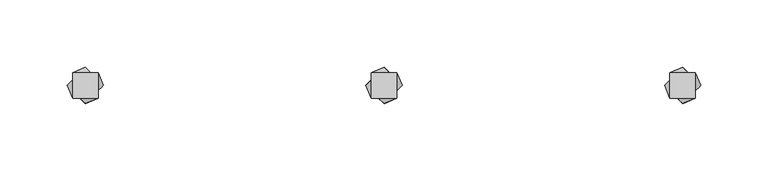
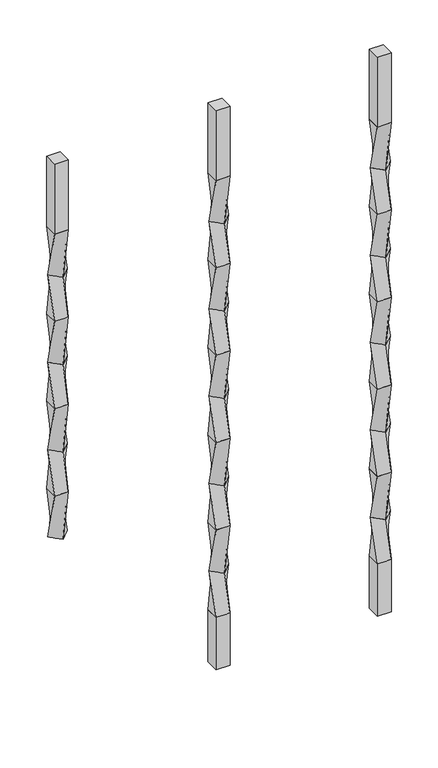
"""IFC4 building model written with IfcOpenShell, lengths in millimetres: proxy geometry."""

from ifc_helpers import new_model, si_unit, frame, origin, place, context, project, spatial, polyline, outline, extrude, source, transform, mapped, element, save
from ifc_brep_helpers import plane_surface, spline_surface, advanced_brep


def specialty_equipment_d9584f1a(model_context):
    return source(origin(), model_context, "Body", "SolidModel", [
        extrude(outline(polyline([(9.525, 9.525), (9.525, -9.525), (-9.525, -9.525), (-9.525, 9.525), (9.525, 9.525)])), frame((0.0, 0.0, 812.8), z_axis=(0.0, 0.0, 1.0), x_axis=(1.0, 0.0, 0.0)), (0.0, 0.0, 1.0), 101.6),
        advanced_brep(
        [(-9.525, 9.525, 812.8), (-9.525, -9.525, 812.8), (9.525, -9.525, 812.8), (9.525, 9.525, 812.8), (0.0, 13.4703842, 749.3), (13.4703842, 0.0, 749.3), (0.0, -13.4703842, 749.3), (-13.4703842, 0.0, 749.3)],
        [
            (0, 1),
            (1, 2),
            (2, 3),
            (3, 0),
            (4, 5),
            (5, 6),
            (6, 7),
            (7, 4),
            (4, 0),
            (3, 5),
            (2, 6),
            (1, 7),
        ],
        [
            plane_surface(frame((0.0, 0.0, 812.8), z_axis=(0.0, 0.0, 1.0), x_axis=(0.0, -1.0, 0.0))),
            plane_surface(frame((0.0, 0.0, 749.3), z_axis=(0.0, 0.0, -1.0), x_axis=(0.0, -1.0, 0.0))),
            spline_surface(1, 1, [[(13.4703842, 0.0, 749.3), (9.525, 9.525, 812.8)], [(0.0, 13.4703842, 749.3), (-9.525, 9.525, 812.8)]], [2, 2], [2, 2], [0.0, 1.0], [0.0, 1.0]),
            spline_surface(1, 1, [[(0.0, -13.4703842, 749.3), (9.525, -9.525, 812.8)], [(13.4703842, 0.0, 749.3), (9.525, 9.525, 812.8)]], [2, 2], [2, 2], [0.0, 1.0], [0.0, 1.0]),
            spline_surface(1, 1, [[(-13.4703842, 0.0, 749.3), (-9.525, -9.525, 812.8)], [(0.0, -13.4703842, 749.3), (9.525, -9.525, 812.8)]], [2, 2], [2, 2], [0.0, 1.0], [0.0, 1.0]),
            spline_surface(1, 1, [[(0.0, 13.4703842, 749.3), (-9.525, 9.525, 812.8)], [(-13.4703842, 0.0, 749.3), (-9.525, -9.525, 812.8)]], [2, 2], [2, 2], [0.0, 1.0], [0.0, 1.0]),
        ],
        [
            (0, [[1, 2, 3, 4]]),
            (1, [[5, 6, 7, 8]]),
            (2, [[-5, 9, -4, 10]]),
            (3, [[-6, -10, -3, 11]]),
            (4, [[-7, -11, -2, 12]]),
            (5, [[-8, -12, -1, -9]]),
        ],
    ),
        advanced_brep(
        [(0.0, 13.4703842, 749.3), (-13.4703842, 0.0, 749.3), (0.0, -13.4703842, 749.3), (13.4703842, 0.0, 749.3), (-9.525, 9.525, 685.8), (9.525, 9.525, 685.8), (9.525, -9.525, 685.8), (-9.525, -9.525, 685.8)],
        [
            (0, 1),
            (1, 2),
            (2, 3),
            (3, 0),
            (4, 5),
            (5, 6),
            (6, 7),
            (7, 4),
            (4, 0),
            (3, 5),
            (2, 6),
            (1, 7),
        ],
        [
            plane_surface(frame((0.0, 0.0, 749.3), z_axis=(0.0, 0.0, 1.0000000000000002), x_axis=(0.7071067811865481, -0.707106781186547, 0.0))),
            plane_surface(frame((0.0, 0.0, 685.8), z_axis=(0.0, 0.0, -1.0000000000000002), x_axis=(0.7071067811865481, -0.707106781186547, 0.0))),
            spline_surface(1, 1, [[(9.525, 9.525, 685.8), (13.4703842, 0.0, 749.3)], [(-9.525, 9.525, 685.8), (0.0, 13.4703842, 749.3)]], [2, 2], [2, 2], [0.0, 1.0], [0.0, 1.0]),
            spline_surface(1, 1, [[(9.525, -9.525, 685.8), (0.0, -13.4703842, 749.3)], [(9.525, 9.525, 685.8), (13.4703842, 0.0, 749.3)]], [2, 2], [2, 2], [0.0, 1.0], [0.0, 1.0]),
            spline_surface(1, 1, [[(-9.525, -9.525, 685.8), (-13.4703842, 0.0, 749.3)], [(9.525, -9.525, 685.8), (0.0, -13.4703842, 749.3)]], [2, 2], [2, 2], [0.0, 1.0], [0.0, 1.0]),
            spline_surface(1, 1, [[(-9.525, 9.525, 685.8), (0.0, 13.4703842, 749.3)], [(-9.525, -9.525, 685.8), (-13.4703842, 0.0, 749.3)]], [2, 2], [2, 2], [0.0, 1.0], [0.0, 1.0]),
        ],
        [
            (0, [[1, 2, 3, 4]]),
            (1, [[5, 6, 7, 8]]),
            (2, [[-5, 9, -4, 10]]),
            (3, [[-6, -10, -3, 11]]),
            (4, [[-7, -11, -2, 12]]),
            (5, [[-8, -12, -1, -9]]),
        ],
    ),
        advanced_brep(
        [(-9.525, 9.525, 685.8), (-9.525, -9.525, 685.8), (9.525, -9.525, 685.8), (9.525, 9.525, 685.8), (0.0, 13.4703842, 622.3), (13.4703842, 0.0, 622.3), (0.0, -13.4703842, 622.3), (-13.4703842, 0.0, 622.3)],
        [
            (0, 1),
            (1, 2),
            (2, 3),
            (3, 0),
            (4, 5),
            (5, 6),
            (6, 7),
            (7, 4),
            (4, 0),
            (3, 5),
            (2, 6),
            (1, 7),
        ],
        [
            plane_surface(frame((0.0, 0.0, 685.8), z_axis=(0.0, 0.0, 1.0), x_axis=(0.0, -1.0, 0.0))),
            plane_surface(frame((0.0, 0.0, 622.3), z_axis=(0.0, 0.0, -1.0), x_axis=(0.0, -1.0, 0.0))),
            spline_surface(1, 1, [[(13.4703842, 0.0, 622.3), (9.525, 9.525, 685.8)], [(0.0, 13.4703842, 622.3), (-9.525, 9.525, 685.8)]], [2, 2], [2, 2], [0.0, 1.0], [0.0, 1.0]),
            spline_surface(1, 1, [[(0.0, -13.4703842, 622.3), (9.525, -9.525, 685.8)], [(13.4703842, 0.0, 622.3), (9.525, 9.525, 685.8)]], [2, 2], [2, 2], [0.0, 1.0], [0.0, 1.0]),
            spline_surface(1, 1, [[(-13.4703842, 0.0, 622.3), (-9.525, -9.525, 685.8)], [(0.0, -13.4703842, 622.3), (9.525, -9.525, 685.8)]], [2, 2], [2, 2], [0.0, 1.0], [0.0, 1.0]),
            spline_surface(1, 1, [[(0.0, 13.4703842, 622.3), (-9.525, 9.525, 685.8)], [(-13.4703842, 0.0, 622.3), (-9.525, -9.525, 685.8)]], [2, 2], [2, 2], [0.0, 1.0], [0.0, 1.0]),
        ],
        [
            (0, [[1, 2, 3, 4]]),
            (1, [[5, 6, 7, 8]]),
            (2, [[-5, 9, -4, 10]]),
            (3, [[-6, -10, -3, 11]]),
            (4, [[-7, -11, -2, 12]]),
            (5, [[-8, -12, -1, -9]]),
        ],
    ),
        advanced_brep(
        [(0.0, 13.4703842, 622.3), (-13.4703842, 0.0, 622.3), (0.0, -13.4703842, 622.3), (13.4703842, 0.0, 622.3), (-9.525, 9.525, 558.8), (9.525, 9.525, 558.8), (9.525, -9.525, 558.8), (-9.525, -9.525, 558.8)],
        [
            (0, 1),
            (1, 2),
            (2, 3),
            (3, 0),
            (4, 5),
            (5, 6),
            (6, 7),
            (7, 4),
            (4, 0),
            (3, 5),
            (2, 6),
            (1, 7),
        ],
        [
            plane_surface(frame((0.0, 0.0, 622.3), z_axis=(0.0, 0.0, 1.0000000000000002), x_axis=(0.7071067811865481, -0.707106781186547, 0.0))),
            plane_surface(frame((0.0, 0.0, 558.8), z_axis=(0.0, 0.0, -1.0000000000000002), x_axis=(0.7071067811865481, -0.707106781186547, 0.0))),
            spline_surface(1, 1, [[(9.525, 9.525, 558.8), (13.4703842, 0.0, 622.3)], [(-9.525, 9.525, 558.8), (0.0, 13.4703842, 622.3)]], [2, 2], [2, 2], [0.0, 1.0], [0.0, 1.0]),
            spline_surface(1, 1, [[(9.525, -9.525, 558.8), (0.0, -13.4703842, 622.3)], [(9.525, 9.525, 558.8), (13.4703842, 0.0, 622.3)]], [2, 2], [2, 2], [0.0, 1.0], [0.0, 1.0]),
            spline_surface(1, 1, [[(-9.525, -9.525, 558.8), (-13.4703842, 0.0, 622.3)], [(9.525, -9.525, 558.8), (0.0, -13.4703842, 622.3)]], [2, 2], [2, 2], [0.0, 1.0], [0.0, 1.0]),
            spline_surface(1, 1, [[(-9.525, 9.525, 558.8), (0.0, 13.4703842, 622.3)], [(-9.525, -9.525, 558.8), (-13.4703842, 0.0, 622.3)]], [2, 2], [2, 2], [0.0, 1.0], [0.0, 1.0]),
        ],
        [
            (0, [[1, 2, 3, 4]]),
            (1, [[5, 6, 7, 8]]),
            (2, [[-5, 9, -4, 10]]),
            (3, [[-6, -10, -3, 11]]),
            (4, [[-7, -11, -2, 12]]),
            (5, [[-8, -12, -1, -9]]),
        ],
    ),
        advanced_brep(
        [(-9.525, 9.525, 558.8), (-9.525, -9.525, 558.8), (9.525, -9.525, 558.8), (9.525, 9.525, 558.8), (0.0, 13.4703842, 495.3), (13.4703842, 0.0, 495.3), (0.0, -13.4703842, 495.3), (-13.4703842, 0.0, 495.3)],
        [
            (0, 1),
            (1, 2),
            (2, 3),
            (3, 0),
            (4, 5),
            (5, 6),
            (6, 7),
            (7, 4),
            (4, 0),
            (3, 5),
            (2, 6),
            (1, 7),
        ],
        [
            plane_surface(frame((0.0, 0.0, 558.8), z_axis=(0.0, 0.0, 1.0), x_axis=(0.0, -1.0, 0.0))),
            plane_surface(frame((0.0, 0.0, 495.3), z_axis=(0.0, 0.0, -1.0), x_axis=(0.0, -1.0, 0.0))),
            spline_surface(1, 1, [[(13.4703842, 0.0, 495.3), (9.525, 9.525, 558.8)], [(0.0, 13.4703842, 495.3), (-9.525, 9.525, 558.8)]], [2, 2], [2, 2], [0.0, 1.0], [0.0, 1.0]),
            spline_surface(1, 1, [[(0.0, -13.4703842, 495.3), (9.525, -9.525, 558.8)], [(13.4703842, 0.0, 495.3), (9.525, 9.525, 558.8)]], [2, 2], [2, 2], [0.0, 1.0], [0.0, 1.0]),
            spline_surface(1, 1, [[(-13.4703842, 0.0, 495.3), (-9.525, -9.525, 558.8)], [(0.0, -13.4703842, 495.3), (9.525, -9.525, 558.8)]], [2, 2], [2, 2], [0.0, 1.0], [0.0, 1.0]),
            spline_surface(1, 1, [[(0.0, 13.4703842, 495.3), (-9.525, 9.525, 558.8)], [(-13.4703842, 0.0, 495.3), (-9.525, -9.525, 558.8)]], [2, 2], [2, 2], [0.0, 1.0], [0.0, 1.0]),
        ],
        [
            (0, [[1, 2, 3, 4]]),
            (1, [[5, 6, 7, 8]]),
            (2, [[-5, 9, -4, 10]]),
            (3, [[-6, -10, -3, 11]]),
            (4, [[-7, -11, -2, 12]]),
            (5, [[-8, -12, -1, -9]]),
        ],
    ),
        advanced_brep(
        [(0.0, 13.4703842, 495.3), (-13.4703842, 0.0, 495.3), (0.0, -13.4703842, 495.3), (13.4703842, 0.0, 495.3), (-9.525, 9.525, 431.8), (9.525, 9.525, 431.8), (9.525, -9.525, 431.8), (-9.525, -9.525, 431.8)],
        [
            (0, 1),
            (1, 2),
            (2, 3),
            (3, 0),
            (4, 5),
            (5, 6),
            (6, 7),
            (7, 4),
            (4, 0),
            (3, 5),
            (2, 6),
            (1, 7),
        ],
        [
            plane_surface(frame((0.0, 0.0, 495.3), z_axis=(0.0, 0.0, 1.0000000000000002), x_axis=(0.7071067811865481, -0.707106781186547, 0.0))),
            plane_surface(frame((0.0, 0.0, 431.8), z_axis=(0.0, 0.0, -1.0000000000000002), x_axis=(0.7071067811865481, -0.707106781186547, 0.0))),
            spline_surface(1, 1, [[(9.525, 9.525, 431.8), (13.4703842, 0.0, 495.3)], [(-9.525, 9.525, 431.8), (0.0, 13.4703842, 495.3)]], [2, 2], [2, 2], [0.0, 1.0], [0.0, 1.0]),
            spline_surface(1, 1, [[(9.525, -9.525, 431.8), (0.0, -13.4703842, 495.3)], [(9.525, 9.525, 431.8), (13.4703842, 0.0, 495.3)]], [2, 2], [2, 2], [0.0, 1.0], [0.0, 1.0]),
            spline_surface(1, 1, [[(-9.525, -9.525, 431.8), (-13.4703842, 0.0, 495.3)], [(9.525, -9.525, 431.8), (0.0, -13.4703842, 495.3)]], [2, 2], [2, 2], [0.0, 1.0], [0.0, 1.0]),
            spline_surface(1, 1, [[(-9.525, 9.525, 431.8), (0.0, 13.4703842, 495.3)], [(-9.525, -9.525, 431.8), (-13.4703842, 0.0, 495.3)]], [2, 2], [2, 2], [0.0, 1.0], [0.0, 1.0]),
        ],
        [
            (0, [[1, 2, 3, 4]]),
            (1, [[5, 6, 7, 8]]),
            (2, [[-5, 9, -4, 10]]),
            (3, [[-6, -10, -3, 11]]),
            (4, [[-7, -11, -2, 12]]),
            (5, [[-8, -12, -1, -9]]),
        ],
    ),
        advanced_brep(
        [(-9.525, 9.525, 431.8), (-9.525, -9.525, 431.8), (9.525, -9.525, 431.8), (9.525, 9.525, 431.8), (0.0, 13.4703842, 368.3), (13.4703842, 0.0, 368.3), (0.0, -13.4703842, 368.3), (-13.4703842, 0.0, 368.3)],
        [
            (0, 1),
            (1, 2),
            (2, 3),
            (3, 0),
            (4, 5),
            (5, 6),
            (6, 7),
            (7, 4),
            (4, 0),
            (3, 5),
            (2, 6),
            (1, 7),
        ],
        [
            plane_surface(frame((0.0, 0.0, 431.8), z_axis=(0.0, 0.0, 1.0), x_axis=(0.0, -1.0, 0.0))),
            plane_surface(frame((0.0, 0.0, 368.3), z_axis=(0.0, 0.0, -1.0), x_axis=(0.0, -1.0, 0.0))),
            spline_surface(1, 1, [[(13.4703842, 0.0, 368.3), (9.525, 9.525, 431.8)], [(0.0, 13.4703842, 368.3), (-9.525, 9.525, 431.8)]], [2, 2], [2, 2], [0.0, 1.0], [0.0, 1.0]),
            spline_surface(1, 1, [[(0.0, -13.4703842, 368.3), (9.525, -9.525, 431.8)], [(13.4703842, 0.0, 368.3), (9.525, 9.525, 431.8)]], [2, 2], [2, 2], [0.0, 1.0], [0.0, 1.0]),
            spline_surface(1, 1, [[(-13.4703842, 0.0, 368.3), (-9.525, -9.525, 431.8)], [(0.0, -13.4703842, 368.3), (9.525, -9.525, 431.8)]], [2, 2], [2, 2], [0.0, 1.0], [0.0, 1.0]),
            spline_surface(1, 1, [[(0.0, 13.4703842, 368.3), (-9.525, 9.525, 431.8)], [(-13.4703842, 0.0, 368.3), (-9.525, -9.525, 431.8)]], [2, 2], [2, 2], [0.0, 1.0], [0.0, 1.0]),
        ],
        [
            (0, [[1, 2, 3, 4]]),
            (1, [[5, 6, 7, 8]]),
            (2, [[-5, 9, -4, 10]]),
            (3, [[-6, -10, -3, 11]]),
            (4, [[-7, -11, -2, 12]]),
            (5, [[-8, -12, -1, -9]]),
        ],
    ),
        advanced_brep(
        [(0.0, 13.4703842, 368.3), (-13.4703842, 0.0, 368.3), (0.0, -13.4703842, 368.3), (13.4703842, 0.0, 368.3), (-9.525, 9.525, 304.8), (9.525, 9.525, 304.8), (9.525, -9.525, 304.8), (-9.525, -9.525, 304.8)],
        [
            (0, 1),
            (1, 2),
            (2, 3),
            (3, 0),
            (4, 5),
            (5, 6),
            (6, 7),
            (7, 4),
            (4, 0),
            (3, 5),
            (2, 6),
            (1, 7),
        ],
        [
            plane_surface(frame((0.0, 0.0, 368.3), z_axis=(0.0, 0.0, 1.0000000000000002), x_axis=(0.7071067811865481, -0.707106781186547, 0.0))),
            plane_surface(frame((0.0, 0.0, 304.8), z_axis=(0.0, 0.0, -1.0000000000000002), x_axis=(0.7071067811865481, -0.707106781186547, 0.0))),
            spline_surface(1, 1, [[(9.525, 9.525, 304.8), (13.4703842, 0.0, 368.3)], [(-9.525, 9.525, 304.8), (0.0, 13.4703842, 368.3)]], [2, 2], [2, 2], [0.0, 1.0], [0.0, 1.0]),
            spline_surface(1, 1, [[(9.525, -9.525, 304.8), (0.0, -13.4703842, 368.3)], [(9.525, 9.525, 304.8), (13.4703842, 0.0, 368.3)]], [2, 2], [2, 2], [0.0, 1.0], [0.0, 1.0]),
            spline_surface(1, 1, [[(-9.525, -9.525, 304.8), (-13.4703842, 0.0, 368.3)], [(9.525, -9.525, 304.8), (0.0, -13.4703842, 368.3)]], [2, 2], [2, 2], [0.0, 1.0], [0.0, 1.0]),
            spline_surface(1, 1, [[(-9.525, 9.525, 304.8), (0.0, 13.4703842, 368.3)], [(-9.525, -9.525, 304.8), (-13.4703842, 0.0, 368.3)]], [2, 2], [2, 2], [0.0, 1.0], [0.0, 1.0]),
        ],
        [
            (0, [[1, 2, 3, 4]]),
            (1, [[5, 6, 7, 8]]),
            (2, [[-5, 9, -4, 10]]),
            (3, [[-6, -10, -3, 11]]),
            (4, [[-7, -11, -2, 12]]),
            (5, [[-8, -12, -1, -9]]),
        ],
    ),
        advanced_brep(
        [(-9.525, 9.525, 304.8), (-9.525, -9.525, 304.8), (9.525, -9.525, 304.8), (9.525, 9.525, 304.8), (0.0, 13.4703842, 241.3), (13.4703842, 0.0, 241.3), (0.0, -13.4703842, 241.3), (-13.4703842, 0.0, 241.3)],
        [
            (0, 1),
            (1, 2),
            (2, 3),
            (3, 0),
            (4, 5),
            (5, 6),
            (6, 7),
            (7, 4),
            (4, 0),
            (3, 5),
            (2, 6),
            (1, 7),
        ],
        [
            plane_surface(frame((0.0, 0.0, 304.8), z_axis=(0.0, 0.0, 1.0), x_axis=(0.0, -1.0, 0.0))),
            plane_surface(frame((0.0, 0.0, 241.3), z_axis=(0.0, 0.0, -1.0), x_axis=(0.0, -1.0, 0.0))),
            spline_surface(1, 1, [[(13.4703842, 0.0, 241.3), (9.525, 9.525, 304.8)], [(0.0, 13.4703842, 241.3), (-9.525, 9.525, 304.8)]], [2, 2], [2, 2], [0.0, 1.0], [0.0, 1.0]),
            spline_surface(1, 1, [[(0.0, -13.4703842, 241.3), (9.525, -9.525, 304.8)], [(13.4703842, 0.0, 241.3), (9.525, 9.525, 304.8)]], [2, 2], [2, 2], [0.0, 1.0], [0.0, 1.0]),
            spline_surface(1, 1, [[(-13.4703842, 0.0, 241.3), (-9.525, -9.525, 304.8)], [(0.0, -13.4703842, 241.3), (9.525, -9.525, 304.8)]], [2, 2], [2, 2], [0.0, 1.0], [0.0, 1.0]),
            spline_surface(1, 1, [[(0.0, 13.4703842, 241.3), (-9.525, 9.525, 304.8)], [(-13.4703842, 0.0, 241.3), (-9.525, -9.525, 304.8)]], [2, 2], [2, 2], [0.0, 1.0], [0.0, 1.0]),
        ],
        [
            (0, [[1, 2, 3, 4]]),
            (1, [[5, 6, 7, 8]]),
            (2, [[-5, 9, -4, 10]]),
            (3, [[-6, -10, -3, 11]]),
            (4, [[-7, -11, -2, 12]]),
            (5, [[-8, -12, -1, -9]]),
        ],
    ),
        advanced_brep(
        [(0.0, 13.4703842, 241.3), (-13.4703842, 0.0, 241.3), (0.0, -13.4703842, 241.3), (13.4703842, 0.0, 241.3), (-9.525, 9.525, 177.8), (9.525, 9.525, 177.8), (9.525, -9.525, 177.8), (-9.525, -9.525, 177.8)],
        [
            (0, 1),
            (1, 2),
            (2, 3),
            (3, 0),
            (4, 5),
            (5, 6),
            (6, 7),
            (7, 4),
            (4, 0),
            (3, 5),
            (2, 6),
            (1, 7),
        ],
        [
            plane_surface(frame((0.0, 0.0, 241.3), z_axis=(0.0, 0.0, 1.0000000000000002), x_axis=(0.7071067811865481, -0.707106781186547, 0.0))),
            plane_surface(frame((0.0, 0.0, 177.8), z_axis=(0.0, 0.0, -1.0000000000000002), x_axis=(0.7071067811865481, -0.707106781186547, 0.0))),
            spline_surface(1, 1, [[(9.525, 9.525, 177.8), (13.4703842, 0.0, 241.3)], [(-9.525, 9.525, 177.8), (0.0, 13.4703842, 241.3)]], [2, 2], [2, 2], [0.0, 1.0], [0.0, 1.0]),
            spline_surface(1, 1, [[(9.525, -9.525, 177.8), (0.0, -13.4703842, 241.3)], [(9.525, 9.525, 177.8), (13.4703842, 0.0, 241.3)]], [2, 2], [2, 2], [0.0, 1.0], [0.0, 1.0]),
            spline_surface(1, 1, [[(-9.525, -9.525, 177.8), (-13.4703842, 0.0, 241.3)], [(9.525, -9.525, 177.8), (0.0, -13.4703842, 241.3)]], [2, 2], [2, 2], [0.0, 1.0], [0.0, 1.0]),
            spline_surface(1, 1, [[(-9.525, 9.525, 177.8), (0.0, 13.4703842, 241.3)], [(-9.525, -9.525, 177.8), (-13.4703842, 0.0, 241.3)]], [2, 2], [2, 2], [0.0, 1.0], [0.0, 1.0]),
        ],
        [
            (0, [[1, 2, 3, 4]]),
            (1, [[5, 6, 7, 8]]),
            (2, [[-5, 9, -4, 10]]),
            (3, [[-6, -10, -3, 11]]),
            (4, [[-7, -11, -2, 12]]),
            (5, [[-8, -12, -1, -9]]),
        ],
    ),
        extrude(outline(polyline([(9.525, 9.525), (9.525, -9.525), (-9.525, -9.525), (-9.525, 9.525), (9.525, 9.525)])), frame((0.0, 0.0, 101.6), z_axis=(0.0, 0.0, 1.0), x_axis=(1.0, 0.0, 0.0)), (0.0, 0.0, 1.0), 76.2),
        extrude(outline(polyline([(231.775, 9.525), (231.775, -9.525), (212.725, -9.525), (212.725, 9.525), (231.775, 9.525)])), frame((0.0, 0.0, 812.8), z_axis=(0.0, 0.0, 1.0), x_axis=(1.0, 0.0, 0.0)), (0.0, 0.0, 1.0), 101.6),
        advanced_brep(
        [(212.725, 9.525, 812.8), (212.725, -9.525, 812.8), (231.775, -9.525, 812.8), (231.775, 9.525, 812.8), (222.25, 13.4703842, 749.3), (235.7203842, 0.0, 749.3), (222.25, -13.4703842, 749.3), (208.7796158, 0.0, 749.3)],
        [
            (0, 1),
            (1, 2),
            (2, 3),
            (3, 0),
            (4, 5),
            (5, 6),
            (6, 7),
            (7, 4),
            (4, 0),
            (3, 5),
            (2, 6),
            (1, 7),
        ],
        [
            plane_surface(frame((222.25, 0.0, 812.8), z_axis=(0.0, 0.0, 1.0), x_axis=(0.0, -1.0, 0.0))),
            plane_surface(frame((222.25, 0.0, 749.3), z_axis=(0.0, 0.0, -1.0), x_axis=(0.0, -1.0, 0.0))),
            spline_surface(1, 1, [[(235.7203842, 0.0, 749.3), (231.775, 9.525, 812.8)], [(222.25, 13.4703842, 749.3), (212.725, 9.525, 812.8)]], [2, 2], [2, 2], [0.0, 1.0], [0.0, 1.0]),
            spline_surface(1, 1, [[(222.25, -13.4703842, 749.3), (231.775, -9.525, 812.8)], [(235.7203842, 0.0, 749.3), (231.775, 9.525, 812.8)]], [2, 2], [2, 2], [0.0, 1.0], [0.0, 1.0]),
            spline_surface(1, 1, [[(208.7796158, 0.0, 749.3), (212.725, -9.525, 812.8)], [(222.25, -13.4703842, 749.3), (231.775, -9.525, 812.8)]], [2, 2], [2, 2], [0.0, 1.0], [0.0, 1.0]),
            spline_surface(1, 1, [[(222.25, 13.4703842, 749.3), (212.725, 9.525, 812.8)], [(208.7796158, 0.0, 749.3), (212.725, -9.525, 812.8)]], [2, 2], [2, 2], [0.0, 1.0], [0.0, 1.0]),
        ],
        [
            (0, [[1, 2, 3, 4]]),
            (1, [[5, 6, 7, 8]]),
            (2, [[-5, 9, -4, 10]]),
            (3, [[-6, -10, -3, 11]]),
            (4, [[-7, -11, -2, 12]]),
            (5, [[-8, -12, -1, -9]]),
        ],
    ),
        advanced_brep(
        [(222.25, 13.4703842, 749.3), (208.7796158, 0.0, 749.3), (222.25, -13.4703842, 749.3), (235.7203842, 0.0, 749.3), (212.725, 9.525, 685.8), (231.775, 9.525, 685.8), (231.775, -9.525, 685.8), (212.725, -9.525, 685.8)],
        [
            (0, 1),
            (1, 2),
            (2, 3),
            (3, 0),
            (4, 5),
            (5, 6),
            (6, 7),
            (7, 4),
            (4, 0),
            (3, 5),
            (2, 6),
            (1, 7),
        ],
        [
            plane_surface(frame((222.25, 0.0, 749.3), z_axis=(0.0, 0.0, 1.0000000000000002), x_axis=(0.7071067811865481, -0.707106781186547, 0.0))),
            plane_surface(frame((222.25, 0.0, 685.8), z_axis=(0.0, 0.0, -1.0000000000000002), x_axis=(0.7071067811865481, -0.707106781186547, 0.0))),
            spline_surface(1, 1, [[(231.775, 9.525, 685.8), (235.7203842, 0.0, 749.3)], [(212.725, 9.525, 685.8), (222.25, 13.4703842, 749.3)]], [2, 2], [2, 2], [0.0, 1.0], [0.0, 1.0]),
            spline_surface(1, 1, [[(231.775, -9.525, 685.8), (222.25, -13.4703842, 749.3)], [(231.775, 9.525, 685.8), (235.7203842, 0.0, 749.3)]], [2, 2], [2, 2], [0.0, 1.0], [0.0, 1.0]),
            spline_surface(1, 1, [[(212.725, -9.525, 685.8), (208.7796158, 0.0, 749.3)], [(231.775, -9.525, 685.8), (222.25, -13.4703842, 749.3)]], [2, 2], [2, 2], [0.0, 1.0], [0.0, 1.0]),
            spline_surface(1, 1, [[(212.725, 9.525, 685.8), (222.25, 13.4703842, 749.3)], [(212.725, -9.525, 685.8), (208.7796158, 0.0, 749.3)]], [2, 2], [2, 2], [0.0, 1.0], [0.0, 1.0]),
        ],
        [
            (0, [[1, 2, 3, 4]]),
            (1, [[5, 6, 7, 8]]),
            (2, [[-5, 9, -4, 10]]),
            (3, [[-6, -10, -3, 11]]),
            (4, [[-7, -11, -2, 12]]),
            (5, [[-8, -12, -1, -9]]),
        ],
    ),
        advanced_brep(
        [(212.725, 9.525, 685.8), (212.725, -9.525, 685.8), (231.775, -9.525, 685.8), (231.775, 9.525, 685.8), (222.25, 13.4703842, 622.3), (235.7203842, 0.0, 622.3), (222.25, -13.4703842, 622.3), (208.7796158, 0.0, 622.3)],
        [
            (0, 1),
            (1, 2),
            (2, 3),
            (3, 0),
            (4, 5),
            (5, 6),
            (6, 7),
            (7, 4),
            (4, 0),
            (3, 5),
            (2, 6),
            (1, 7),
        ],
        [
            plane_surface(frame((222.25, 0.0, 685.8), z_axis=(0.0, 0.0, 1.0), x_axis=(0.0, -1.0, 0.0))),
            plane_surface(frame((222.25, 0.0, 622.3), z_axis=(0.0, 0.0, -1.0), x_axis=(0.0, -1.0, 0.0))),
            spline_surface(1, 1, [[(235.7203842, 0.0, 622.3), (231.775, 9.525, 685.8)], [(222.25, 13.4703842, 622.3), (212.725, 9.525, 685.8)]], [2, 2], [2, 2], [0.0, 1.0], [0.0, 1.0]),
            spline_surface(1, 1, [[(222.25, -13.4703842, 622.3), (231.775, -9.525, 685.8)], [(235.7203842, 0.0, 622.3), (231.775, 9.525, 685.8)]], [2, 2], [2, 2], [0.0, 1.0], [0.0, 1.0]),
            spline_surface(1, 1, [[(208.7796158, 0.0, 622.3), (212.725, -9.525, 685.8)], [(222.25, -13.4703842, 622.3), (231.775, -9.525, 685.8)]], [2, 2], [2, 2], [0.0, 1.0], [0.0, 1.0]),
            spline_surface(1, 1, [[(222.25, 13.4703842, 622.3), (212.725, 9.525, 685.8)], [(208.7796158, 0.0, 622.3), (212.725, -9.525, 685.8)]], [2, 2], [2, 2], [0.0, 1.0], [0.0, 1.0]),
        ],
        [
            (0, [[1, 2, 3, 4]]),
            (1, [[5, 6, 7, 8]]),
            (2, [[-5, 9, -4, 10]]),
            (3, [[-6, -10, -3, 11]]),
            (4, [[-7, -11, -2, 12]]),
            (5, [[-8, -12, -1, -9]]),
        ],
    ),
        advanced_brep(
        [(222.25, 13.4703842, 622.3), (208.7796158, 0.0, 622.3), (222.25, -13.4703842, 622.3), (235.7203842, 0.0, 622.3), (212.725, 9.525, 558.8), (231.775, 9.525, 558.8), (231.775, -9.525, 558.8), (212.725, -9.525, 558.8)],
        [
            (0, 1),
            (1, 2),
            (2, 3),
            (3, 0),
            (4, 5),
            (5, 6),
            (6, 7),
            (7, 4),
            (4, 0),
            (3, 5),
            (2, 6),
            (1, 7),
        ],
        [
            plane_surface(frame((222.25, 0.0, 622.3), z_axis=(0.0, 0.0, 1.0000000000000002), x_axis=(0.7071067811865481, -0.707106781186547, 0.0))),
            plane_surface(frame((222.25, 0.0, 558.8), z_axis=(0.0, 0.0, -1.0000000000000002), x_axis=(0.7071067811865481, -0.707106781186547, 0.0))),
            spline_surface(1, 1, [[(231.775, 9.525, 558.8), (235.7203842, 0.0, 622.3)], [(212.725, 9.525, 558.8), (222.25, 13.4703842, 622.3)]], [2, 2], [2, 2], [0.0, 1.0], [0.0, 1.0]),
            spline_surface(1, 1, [[(231.775, -9.525, 558.8), (222.25, -13.4703842, 622.3)], [(231.775, 9.525, 558.8), (235.7203842, 0.0, 622.3)]], [2, 2], [2, 2], [0.0, 1.0], [0.0, 1.0]),
            spline_surface(1, 1, [[(212.725, -9.525, 558.8), (208.7796158, 0.0, 622.3)], [(231.775, -9.525, 558.8), (222.25, -13.4703842, 622.3)]], [2, 2], [2, 2], [0.0, 1.0], [0.0, 1.0]),
            spline_surface(1, 1, [[(212.725, 9.525, 558.8), (222.25, 13.4703842, 622.3)], [(212.725, -9.525, 558.8), (208.7796158, 0.0, 622.3)]], [2, 2], [2, 2], [0.0, 1.0], [0.0, 1.0]),
        ],
        [
            (0, [[1, 2, 3, 4]]),
            (1, [[5, 6, 7, 8]]),
            (2, [[-5, 9, -4, 10]]),
            (3, [[-6, -10, -3, 11]]),
            (4, [[-7, -11, -2, 12]]),
            (5, [[-8, -12, -1, -9]]),
        ],
    ),
        advanced_brep(
        [(212.725, 9.525, 558.8), (212.725, -9.525, 558.8), (231.775, -9.525, 558.8), (231.775, 9.525, 558.8), (222.25, 13.4703842, 495.3), (235.7203842, 0.0, 495.3), (222.25, -13.4703842, 495.3), (208.7796158, 0.0, 495.3)],
        [
            (0, 1),
            (1, 2),
            (2, 3),
            (3, 0),
            (4, 5),
            (5, 6),
            (6, 7),
            (7, 4),
            (4, 0),
            (3, 5),
            (2, 6),
            (1, 7),
        ],
        [
            plane_surface(frame((222.25, 0.0, 558.8), z_axis=(0.0, 0.0, 1.0), x_axis=(0.0, -1.0, 0.0))),
            plane_surface(frame((222.25, 0.0, 495.3), z_axis=(0.0, 0.0, -1.0), x_axis=(0.0, -1.0, 0.0))),
            spline_surface(1, 1, [[(235.7203842, 0.0, 495.3), (231.775, 9.525, 558.8)], [(222.25, 13.4703842, 495.3), (212.725, 9.525, 558.8)]], [2, 2], [2, 2], [0.0, 1.0], [0.0, 1.0]),
            spline_surface(1, 1, [[(222.25, -13.4703842, 495.3), (231.775, -9.525, 558.8)], [(235.7203842, 0.0, 495.3), (231.775, 9.525, 558.8)]], [2, 2], [2, 2], [0.0, 1.0], [0.0, 1.0]),
            spline_surface(1, 1, [[(208.7796158, 0.0, 495.3), (212.725, -9.525, 558.8)], [(222.25, -13.4703842, 495.3), (231.775, -9.525, 558.8)]], [2, 2], [2, 2], [0.0, 1.0], [0.0, 1.0]),
            spline_surface(1, 1, [[(222.25, 13.4703842, 495.3), (212.725, 9.525, 558.8)], [(208.7796158, 0.0, 495.3), (212.725, -9.525, 558.8)]], [2, 2], [2, 2], [0.0, 1.0], [0.0, 1.0]),
        ],
        [
            (0, [[1, 2, 3, 4]]),
            (1, [[5, 6, 7, 8]]),
            (2, [[-5, 9, -4, 10]]),
            (3, [[-6, -10, -3, 11]]),
            (4, [[-7, -11, -2, 12]]),
            (5, [[-8, -12, -1, -9]]),
        ],
    ),
        advanced_brep(
        [(222.25, 13.4703842, 495.3), (208.7796158, 0.0, 495.3), (222.25, -13.4703842, 495.3), (235.7203842, 0.0, 495.3), (212.725, 9.525, 431.8), (231.775, 9.525, 431.8), (231.775, -9.525, 431.8), (212.725, -9.525, 431.8)],
        [
            (0, 1),
            (1, 2),
            (2, 3),
            (3, 0),
            (4, 5),
            (5, 6),
            (6, 7),
            (7, 4),
            (4, 0),
            (3, 5),
            (2, 6),
            (1, 7),
        ],
        [
            plane_surface(frame((222.25, 0.0, 495.3), z_axis=(0.0, 0.0, 1.0000000000000002), x_axis=(0.7071067811865481, -0.707106781186547, 0.0))),
            plane_surface(frame((222.25, 0.0, 431.8), z_axis=(0.0, 0.0, -1.0000000000000002), x_axis=(0.7071067811865481, -0.707106781186547, 0.0))),
            spline_surface(1, 1, [[(231.775, 9.525, 431.8), (235.7203842, 0.0, 495.3)], [(212.725, 9.525, 431.8), (222.25, 13.4703842, 495.3)]], [2, 2], [2, 2], [0.0, 1.0], [0.0, 1.0]),
            spline_surface(1, 1, [[(231.775, -9.525, 431.8), (222.25, -13.4703842, 495.3)], [(231.775, 9.525, 431.8), (235.7203842, 0.0, 495.3)]], [2, 2], [2, 2], [0.0, 1.0], [0.0, 1.0]),
            spline_surface(1, 1, [[(212.725, -9.525, 431.8), (208.7796158, 0.0, 495.3)], [(231.775, -9.525, 431.8), (222.25, -13.4703842, 495.3)]], [2, 2], [2, 2], [0.0, 1.0], [0.0, 1.0]),
            spline_surface(1, 1, [[(212.725, 9.525, 431.8), (222.25, 13.4703842, 495.3)], [(212.725, -9.525, 431.8), (208.7796158, 0.0, 495.3)]], [2, 2], [2, 2], [0.0, 1.0], [0.0, 1.0]),
        ],
        [
            (0, [[1, 2, 3, 4]]),
            (1, [[5, 6, 7, 8]]),
            (2, [[-5, 9, -4, 10]]),
            (3, [[-6, -10, -3, 11]]),
            (4, [[-7, -11, -2, 12]]),
            (5, [[-8, -12, -1, -9]]),
        ],
    ),
        advanced_brep(
        [(212.725, 9.525, 431.8), (212.725, -9.525, 431.8), (231.775, -9.525, 431.8), (231.775, 9.525, 431.8), (222.25, 13.4703842, 368.3), (235.7203842, 0.0, 368.3), (222.25, -13.4703842, 368.3), (208.7796158, 0.0, 368.3)],
        [
            (0, 1),
            (1, 2),
            (2, 3),
            (3, 0),
            (4, 5),
            (5, 6),
            (6, 7),
            (7, 4),
            (4, 0),
            (3, 5),
            (2, 6),
            (1, 7),
        ],
        [
            plane_surface(frame((222.25, 0.0, 431.8), z_axis=(0.0, 0.0, 1.0), x_axis=(0.0, -1.0, 0.0))),
            plane_surface(frame((222.25, 0.0, 368.3), z_axis=(0.0, 0.0, -1.0), x_axis=(0.0, -1.0, 0.0))),
            spline_surface(1, 1, [[(235.7203842, 0.0, 368.3), (231.775, 9.525, 431.8)], [(222.25, 13.4703842, 368.3), (212.725, 9.525, 431.8)]], [2, 2], [2, 2], [0.0, 1.0], [0.0, 1.0]),
            spline_surface(1, 1, [[(222.25, -13.4703842, 368.3), (231.775, -9.525, 431.8)], [(235.7203842, 0.0, 368.3), (231.775, 9.525, 431.8)]], [2, 2], [2, 2], [0.0, 1.0], [0.0, 1.0]),
            spline_surface(1, 1, [[(208.7796158, 0.0, 368.3), (212.725, -9.525, 431.8)], [(222.25, -13.4703842, 368.3), (231.775, -9.525, 431.8)]], [2, 2], [2, 2], [0.0, 1.0], [0.0, 1.0]),
            spline_surface(1, 1, [[(222.25, 13.4703842, 368.3), (212.725, 9.525, 431.8)], [(208.7796158, 0.0, 368.3), (212.725, -9.525, 431.8)]], [2, 2], [2, 2], [0.0, 1.0], [0.0, 1.0]),
        ],
        [
            (0, [[1, 2, 3, 4]]),
            (1, [[5, 6, 7, 8]]),
            (2, [[-5, 9, -4, 10]]),
            (3, [[-6, -10, -3, 11]]),
            (4, [[-7, -11, -2, 12]]),
            (5, [[-8, -12, -1, -9]]),
        ],
    ),
        advanced_brep(
        [(222.25, 13.4703842, 368.3), (208.7796158, 0.0, 368.3), (222.25, -13.4703842, 368.3), (235.7203842, 0.0, 368.3), (212.725, 9.525, 304.8), (231.775, 9.525, 304.8), (231.775, -9.525, 304.8), (212.725, -9.525, 304.8)],
        [
            (0, 1),
            (1, 2),
            (2, 3),
            (3, 0),
            (4, 5),
            (5, 6),
            (6, 7),
            (7, 4),
            (4, 0),
            (3, 5),
            (2, 6),
            (1, 7),
        ],
        [
            plane_surface(frame((222.25, 0.0, 368.3), z_axis=(0.0, 0.0, 1.0000000000000002), x_axis=(0.7071067811865481, -0.707106781186547, 0.0))),
            plane_surface(frame((222.25, 0.0, 304.8), z_axis=(0.0, 0.0, -1.0000000000000002), x_axis=(0.7071067811865481, -0.707106781186547, 0.0))),
            spline_surface(1, 1, [[(231.775, 9.525, 304.8), (235.7203842, 0.0, 368.3)], [(212.725, 9.525, 304.8), (222.25, 13.4703842, 368.3)]], [2, 2], [2, 2], [0.0, 1.0], [0.0, 1.0]),
            spline_surface(1, 1, [[(231.775, -9.525, 304.8), (222.25, -13.4703842, 368.3)], [(231.775, 9.525, 304.8), (235.7203842, 0.0, 368.3)]], [2, 2], [2, 2], [0.0, 1.0], [0.0, 1.0]),
            spline_surface(1, 1, [[(212.725, -9.525, 304.8), (208.7796158, 0.0, 368.3)], [(231.775, -9.525, 304.8), (222.25, -13.4703842, 368.3)]], [2, 2], [2, 2], [0.0, 1.0], [0.0, 1.0]),
            spline_surface(1, 1, [[(212.725, 9.525, 304.8), (222.25, 13.4703842, 368.3)], [(212.725, -9.525, 304.8), (208.7796158, 0.0, 368.3)]], [2, 2], [2, 2], [0.0, 1.0], [0.0, 1.0]),
        ],
        [
            (0, [[1, 2, 3, 4]]),
            (1, [[5, 6, 7, 8]]),
            (2, [[-5, 9, -4, 10]]),
            (3, [[-6, -10, -3, 11]]),
            (4, [[-7, -11, -2, 12]]),
            (5, [[-8, -12, -1, -9]]),
        ],
    ),
        advanced_brep(
        [(212.725, 9.525, 304.8), (212.725, -9.525, 304.8), (231.775, -9.525, 304.8), (231.775, 9.525, 304.8), (222.25, 13.4703842, 241.3), (235.7203842, 0.0, 241.3), (222.25, -13.4703842, 241.3), (208.7796158, 0.0, 241.3)],
        [
            (0, 1),
            (1, 2),
            (2, 3),
            (3, 0),
            (4, 5),
            (5, 6),
            (6, 7),
            (7, 4),
            (4, 0),
            (3, 5),
            (2, 6),
            (1, 7),
        ],
        [
            plane_surface(frame((222.25, 0.0, 304.8), z_axis=(0.0, 0.0, 1.0), x_axis=(0.0, -1.0, 0.0))),
            plane_surface(frame((222.25, 0.0, 241.3), z_axis=(0.0, 0.0, -1.0), x_axis=(0.0, -1.0, 0.0))),
            spline_surface(1, 1, [[(235.7203842, 0.0, 241.3), (231.775, 9.525, 304.8)], [(222.25, 13.4703842, 241.3), (212.725, 9.525, 304.8)]], [2, 2], [2, 2], [0.0, 1.0], [0.0, 1.0]),
            spline_surface(1, 1, [[(222.25, -13.4703842, 241.3), (231.775, -9.525, 304.8)], [(235.7203842, 0.0, 241.3), (231.775, 9.525, 304.8)]], [2, 2], [2, 2], [0.0, 1.0], [0.0, 1.0]),
            spline_surface(1, 1, [[(208.7796158, 0.0, 241.3), (212.725, -9.525, 304.8)], [(222.25, -13.4703842, 241.3), (231.775, -9.525, 304.8)]], [2, 2], [2, 2], [0.0, 1.0], [0.0, 1.0]),
            spline_surface(1, 1, [[(222.25, 13.4703842, 241.3), (212.725, 9.525, 304.8)], [(208.7796158, 0.0, 241.3), (212.725, -9.525, 304.8)]], [2, 2], [2, 2], [0.0, 1.0], [0.0, 1.0]),
        ],
        [
            (0, [[1, 2, 3, 4]]),
            (1, [[5, 6, 7, 8]]),
            (2, [[-5, 9, -4, 10]]),
            (3, [[-6, -10, -3, 11]]),
            (4, [[-7, -11, -2, 12]]),
            (5, [[-8, -12, -1, -9]]),
        ],
    ),
        advanced_brep(
        [(222.25, 13.4703842, 241.3), (208.7796158, 0.0, 241.3), (222.25, -13.4703842, 241.3), (235.7203842, 0.0, 241.3), (212.725, 9.525, 177.8), (231.775, 9.525, 177.8), (231.775, -9.525, 177.8), (212.725, -9.525, 177.8)],
        [
            (0, 1),
            (1, 2),
            (2, 3),
            (3, 0),
            (4, 5),
            (5, 6),
            (6, 7),
            (7, 4),
            (4, 0),
            (3, 5),
            (2, 6),
            (1, 7),
        ],
        [
            plane_surface(frame((222.25, 0.0, 241.3), z_axis=(0.0, 0.0, 1.0000000000000002), x_axis=(0.7071067811865481, -0.707106781186547, 0.0))),
            plane_surface(frame((222.25, 0.0, 177.8), z_axis=(0.0, 0.0, -1.0000000000000002), x_axis=(0.7071067811865481, -0.707106781186547, 0.0))),
            spline_surface(1, 1, [[(231.775, 9.525, 177.8), (235.7203842, 0.0, 241.3)], [(212.725, 9.525, 177.8), (222.25, 13.4703842, 241.3)]], [2, 2], [2, 2], [0.0, 1.0], [0.0, 1.0]),
            spline_surface(1, 1, [[(231.775, -9.525, 177.8), (222.25, -13.4703842, 241.3)], [(231.775, 9.525, 177.8), (235.7203842, 0.0, 241.3)]], [2, 2], [2, 2], [0.0, 1.0], [0.0, 1.0]),
            spline_surface(1, 1, [[(212.725, -9.525, 177.8), (208.7796158, 0.0, 241.3)], [(231.775, -9.525, 177.8), (222.25, -13.4703842, 241.3)]], [2, 2], [2, 2], [0.0, 1.0], [0.0, 1.0]),
            spline_surface(1, 1, [[(212.725, 9.525, 177.8), (222.25, 13.4703842, 241.3)], [(212.725, -9.525, 177.8), (208.7796158, 0.0, 241.3)]], [2, 2], [2, 2], [0.0, 1.0], [0.0, 1.0]),
        ],
        [
            (0, [[1, 2, 3, 4]]),
            (1, [[5, 6, 7, 8]]),
            (2, [[-5, 9, -4, 10]]),
            (3, [[-6, -10, -3, 11]]),
            (4, [[-7, -11, -2, 12]]),
            (5, [[-8, -12, -1, -9]]),
        ],
    ),
        extrude(outline(polyline([(231.775, 9.525), (231.775, -9.525), (212.725, -9.525), (212.725, 9.525), (231.775, 9.525)])), frame((0.0, 0.0, 101.6), z_axis=(0.0, 0.0, 1.0), x_axis=(1.0, 0.0, 0.0)), (0.0, 0.0, 1.0), 76.2),
        extrude(outline(polyline([(-212.725, 9.525), (-212.725, -9.525), (-231.775, -9.525), (-231.775, 9.525), (-212.725, 9.525)])), frame((0.0, 0.0, 812.8), z_axis=(0.0, 0.0, 1.0), x_axis=(1.0, 0.0, 0.0)), (0.0, 0.0, 1.0), 101.6),
        advanced_brep(
        [(-231.775, 9.525, 812.8), (-231.775, -9.525, 812.8), (-212.725, -9.525, 812.8), (-212.725, 9.525, 812.8), (-222.25, 13.4703842, 749.3), (-208.7796158, 0.0, 749.3), (-222.25, -13.4703842, 749.3), (-235.7203842, 0.0, 749.3)],
        [
            (0, 1),
            (1, 2),
            (2, 3),
            (3, 0),
            (4, 5),
            (5, 6),
            (6, 7),
            (7, 4),
            (4, 0),
            (3, 5),
            (2, 6),
            (1, 7),
        ],
        [
            plane_surface(frame((-222.25, 0.0, 812.8), z_axis=(0.0, 0.0, 1.0), x_axis=(0.0, -1.0, 0.0))),
            plane_surface(frame((-222.25, 0.0, 749.3), z_axis=(0.0, 0.0, -1.0), x_axis=(0.0, -1.0, 0.0))),
            spline_surface(1, 1, [[(-208.7796158, 0.0, 749.3), (-212.725, 9.525, 812.8)], [(-222.25, 13.4703842, 749.3), (-231.775, 9.525, 812.8)]], [2, 2], [2, 2], [0.0, 1.0], [0.0, 1.0]),
            spline_surface(1, 1, [[(-222.25, -13.4703842, 749.3), (-212.725, -9.525, 812.8)], [(-208.7796158, 0.0, 749.3), (-212.725, 9.525, 812.8)]], [2, 2], [2, 2], [0.0, 1.0], [0.0, 1.0]),
            spline_surface(1, 1, [[(-235.7203842, 0.0, 749.3), (-231.775, -9.525, 812.8)], [(-222.25, -13.4703842, 749.3), (-212.725, -9.525, 812.8)]], [2, 2], [2, 2], [0.0, 1.0], [0.0, 1.0]),
            spline_surface(1, 1, [[(-222.25, 13.4703842, 749.3), (-231.775, 9.525, 812.8)], [(-235.7203842, 0.0, 749.3), (-231.775, -9.525, 812.8)]], [2, 2], [2, 2], [0.0, 1.0], [0.0, 1.0]),
        ],
        [
            (0, [[1, 2, 3, 4]]),
            (1, [[5, 6, 7, 8]]),
            (2, [[-5, 9, -4, 10]]),
            (3, [[-6, -10, -3, 11]]),
            (4, [[-7, -11, -2, 12]]),
            (5, [[-8, -12, -1, -9]]),
        ],
    ),
        advanced_brep(
        [(-222.25, 13.4703842, 749.3), (-235.7203842, 0.0, 749.3), (-222.25, -13.4703842, 749.3), (-208.7796158, 0.0, 749.3), (-231.775, 9.525, 685.8), (-212.725, 9.525, 685.8), (-212.725, -9.525, 685.8), (-231.775, -9.525, 685.8)],
        [
            (0, 1),
            (1, 2),
            (2, 3),
            (3, 0),
            (4, 5),
            (5, 6),
            (6, 7),
            (7, 4),
            (4, 0),
            (3, 5),
            (2, 6),
            (1, 7),
        ],
        [
            plane_surface(frame((-222.25, 0.0, 749.3), z_axis=(0.0, 0.0, 1.0000000000000002), x_axis=(0.7071067811865481, -0.707106781186547, 0.0))),
            plane_surface(frame((-222.25, 0.0, 685.8), z_axis=(0.0, 0.0, -1.0000000000000002), x_axis=(0.7071067811865481, -0.707106781186547, 0.0))),
            spline_surface(1, 1, [[(-212.725, 9.525, 685.8), (-208.7796158, 0.0, 749.3)], [(-231.775, 9.525, 685.8), (-222.25, 13.4703842, 749.3)]], [2, 2], [2, 2], [0.0, 1.0], [0.0, 1.0]),
            spline_surface(1, 1, [[(-212.725, -9.525, 685.8), (-222.25, -13.4703842, 749.3)], [(-212.725, 9.525, 685.8), (-208.7796158, 0.0, 749.3)]], [2, 2], [2, 2], [0.0, 1.0], [0.0, 1.0]),
            spline_surface(1, 1, [[(-231.775, -9.525, 685.8), (-235.7203842, 0.0, 749.3)], [(-212.725, -9.525, 685.8), (-222.25, -13.4703842, 749.3)]], [2, 2], [2, 2], [0.0, 1.0], [0.0, 1.0]),
            spline_surface(1, 1, [[(-231.775, 9.525, 685.8), (-222.25, 13.4703842, 749.3)], [(-231.775, -9.525, 685.8), (-235.7203842, 0.0, 749.3)]], [2, 2], [2, 2], [0.0, 1.0], [0.0, 1.0]),
        ],
        [
            (0, [[1, 2, 3, 4]]),
            (1, [[5, 6, 7, 8]]),
            (2, [[-5, 9, -4, 10]]),
            (3, [[-6, -10, -3, 11]]),
            (4, [[-7, -11, -2, 12]]),
            (5, [[-8, -12, -1, -9]]),
        ],
    ),
        advanced_brep(
        [(-231.775, 9.525, 685.8), (-231.775, -9.525, 685.8), (-212.725, -9.525, 685.8), (-212.725, 9.525, 685.8), (-222.25, 13.4703842, 622.3), (-208.7796158, 0.0, 622.3), (-222.25, -13.4703842, 622.3), (-235.7203842, 0.0, 622.3)],
        [
            (0, 1),
            (1, 2),
            (2, 3),
            (3, 0),
            (4, 5),
            (5, 6),
            (6, 7),
            (7, 4),
            (4, 0),
            (3, 5),
            (2, 6),
            (1, 7),
        ],
        [
            plane_surface(frame((-222.25, 0.0, 685.8), z_axis=(0.0, 0.0, 1.0), x_axis=(0.0, -1.0, 0.0))),
            plane_surface(frame((-222.25, 0.0, 622.3), z_axis=(0.0, 0.0, -1.0), x_axis=(0.0, -1.0, 0.0))),
            spline_surface(1, 1, [[(-208.7796158, 0.0, 622.3), (-212.725, 9.525, 685.8)], [(-222.25, 13.4703842, 622.3), (-231.775, 9.525, 685.8)]], [2, 2], [2, 2], [0.0, 1.0], [0.0, 1.0]),
            spline_surface(1, 1, [[(-222.25, -13.4703842, 622.3), (-212.725, -9.525, 685.8)], [(-208.7796158, 0.0, 622.3), (-212.725, 9.525, 685.8)]], [2, 2], [2, 2], [0.0, 1.0], [0.0, 1.0]),
            spline_surface(1, 1, [[(-235.7203842, 0.0, 622.3), (-231.775, -9.525, 685.8)], [(-222.25, -13.4703842, 622.3), (-212.725, -9.525, 685.8)]], [2, 2], [2, 2], [0.0, 1.0], [0.0, 1.0]),
            spline_surface(1, 1, [[(-222.25, 13.4703842, 622.3), (-231.775, 9.525, 685.8)], [(-235.7203842, 0.0, 622.3), (-231.775, -9.525, 685.8)]], [2, 2], [2, 2], [0.0, 1.0], [0.0, 1.0]),
        ],
        [
            (0, [[1, 2, 3, 4]]),
            (1, [[5, 6, 7, 8]]),
            (2, [[-5, 9, -4, 10]]),
            (3, [[-6, -10, -3, 11]]),
            (4, [[-7, -11, -2, 12]]),
            (5, [[-8, -12, -1, -9]]),
        ],
    ),
        advanced_brep(
        [(-222.25, 13.4703842, 622.3), (-235.7203842, 0.0, 622.3), (-222.25, -13.4703842, 622.3), (-208.7796158, 0.0, 622.3), (-231.775, 9.525, 558.8), (-212.725, 9.525, 558.8), (-212.725, -9.525, 558.8), (-231.775, -9.525, 558.8)],
        [
            (0, 1),
            (1, 2),
            (2, 3),
            (3, 0),
            (4, 5),
            (5, 6),
            (6, 7),
            (7, 4),
            (4, 0),
            (3, 5),
            (2, 6),
            (1, 7),
        ],
        [
            plane_surface(frame((-222.25, 0.0, 622.3), z_axis=(0.0, 0.0, 1.0000000000000002), x_axis=(0.7071067811865481, -0.707106781186547, 0.0))),
            plane_surface(frame((-222.25, 0.0, 558.8), z_axis=(0.0, 0.0, -1.0000000000000002), x_axis=(0.7071067811865481, -0.707106781186547, 0.0))),
            spline_surface(1, 1, [[(-212.725, 9.525, 558.8), (-208.7796158, 0.0, 622.3)], [(-231.775, 9.525, 558.8), (-222.25, 13.4703842, 622.3)]], [2, 2], [2, 2], [0.0, 1.0], [0.0, 1.0]),
            spline_surface(1, 1, [[(-212.725, -9.525, 558.8), (-222.25, -13.4703842, 622.3)], [(-212.725, 9.525, 558.8), (-208.7796158, 0.0, 622.3)]], [2, 2], [2, 2], [0.0, 1.0], [0.0, 1.0]),
            spline_surface(1, 1, [[(-231.775, -9.525, 558.8), (-235.7203842, 0.0, 622.3)], [(-212.725, -9.525, 558.8), (-222.25, -13.4703842, 622.3)]], [2, 2], [2, 2], [0.0, 1.0], [0.0, 1.0]),
            spline_surface(1, 1, [[(-231.775, 9.525, 558.8), (-222.25, 13.4703842, 622.3)], [(-231.775, -9.525, 558.8), (-235.7203842, 0.0, 622.3)]], [2, 2], [2, 2], [0.0, 1.0], [0.0, 1.0]),
        ],
        [
            (0, [[1, 2, 3, 4]]),
            (1, [[5, 6, 7, 8]]),
            (2, [[-5, 9, -4, 10]]),
            (3, [[-6, -10, -3, 11]]),
            (4, [[-7, -11, -2, 12]]),
            (5, [[-8, -12, -1, -9]]),
        ],
    ),
        advanced_brep(
        [(-231.775, 9.525, 558.8), (-231.775, -9.525, 558.8), (-212.725, -9.525, 558.8), (-212.725, 9.525, 558.8), (-222.25, 13.4703842, 495.3), (-208.7796158, 0.0, 495.3), (-222.25, -13.4703842, 495.3), (-235.7203842, 0.0, 495.3)],
        [
            (0, 1),
            (1, 2),
            (2, 3),
            (3, 0),
            (4, 5),
            (5, 6),
            (6, 7),
            (7, 4),
            (4, 0),
            (3, 5),
            (2, 6),
            (1, 7),
        ],
        [
            plane_surface(frame((-222.25, 0.0, 558.8), z_axis=(0.0, 0.0, 1.0), x_axis=(0.0, -1.0, 0.0))),
            plane_surface(frame((-222.25, 0.0, 495.3), z_axis=(0.0, 0.0, -1.0), x_axis=(0.0, -1.0, 0.0))),
            spline_surface(1, 1, [[(-208.7796158, 0.0, 495.3), (-212.725, 9.525, 558.8)], [(-222.25, 13.4703842, 495.3), (-231.775, 9.525, 558.8)]], [2, 2], [2, 2], [0.0, 1.0], [0.0, 1.0]),
            spline_surface(1, 1, [[(-222.25, -13.4703842, 495.3), (-212.725, -9.525, 558.8)], [(-208.7796158, 0.0, 495.3), (-212.725, 9.525, 558.8)]], [2, 2], [2, 2], [0.0, 1.0], [0.0, 1.0]),
            spline_surface(1, 1, [[(-235.7203842, 0.0, 495.3), (-231.775, -9.525, 558.8)], [(-222.25, -13.4703842, 495.3), (-212.725, -9.525, 558.8)]], [2, 2], [2, 2], [0.0, 1.0], [0.0, 1.0]),
            spline_surface(1, 1, [[(-222.25, 13.4703842, 495.3), (-231.775, 9.525, 558.8)], [(-235.7203842, 0.0, 495.3), (-231.775, -9.525, 558.8)]], [2, 2], [2, 2], [0.0, 1.0], [0.0, 1.0]),
        ],
        [
            (0, [[1, 2, 3, 4]]),
            (1, [[5, 6, 7, 8]]),
            (2, [[-5, 9, -4, 10]]),
            (3, [[-6, -10, -3, 11]]),
            (4, [[-7, -11, -2, 12]]),
            (5, [[-8, -12, -1, -9]]),
        ],
    ),
        advanced_brep(
        [(-222.25, 13.4703842, 495.3), (-235.7203842, 0.0, 495.3), (-222.25, -13.4703842, 495.3), (-208.7796158, 0.0, 495.3), (-231.775, 9.525, 431.8), (-212.725, 9.525, 431.8), (-212.725, -9.525, 431.8), (-231.775, -9.525, 431.8)],
        [
            (0, 1),
            (1, 2),
            (2, 3),
            (3, 0),
            (4, 5),
            (5, 6),
            (6, 7),
            (7, 4),
            (4, 0),
            (3, 5),
            (2, 6),
            (1, 7),
        ],
        [
            plane_surface(frame((-222.25, 0.0, 495.3), z_axis=(0.0, 0.0, 1.0000000000000002), x_axis=(0.7071067811865481, -0.707106781186547, 0.0))),
            plane_surface(frame((-222.25, 0.0, 431.8), z_axis=(0.0, 0.0, -1.0000000000000002), x_axis=(0.7071067811865481, -0.707106781186547, 0.0))),
            spline_surface(1, 1, [[(-212.725, 9.525, 431.8), (-208.7796158, 0.0, 495.3)], [(-231.775, 9.525, 431.8), (-222.25, 13.4703842, 495.3)]], [2, 2], [2, 2], [0.0, 1.0], [0.0, 1.0]),
            spline_surface(1, 1, [[(-212.725, -9.525, 431.8), (-222.25, -13.4703842, 495.3)], [(-212.725, 9.525, 431.8), (-208.7796158, 0.0, 495.3)]], [2, 2], [2, 2], [0.0, 1.0], [0.0, 1.0]),
            spline_surface(1, 1, [[(-231.775, -9.525, 431.8), (-235.7203842, 0.0, 495.3)], [(-212.725, -9.525, 431.8), (-222.25, -13.4703842, 495.3)]], [2, 2], [2, 2], [0.0, 1.0], [0.0, 1.0]),
            spline_surface(1, 1, [[(-231.775, 9.525, 431.8), (-222.25, 13.4703842, 495.3)], [(-231.775, -9.525, 431.8), (-235.7203842, 0.0, 495.3)]], [2, 2], [2, 2], [0.0, 1.0], [0.0, 1.0]),
        ],
        [
            (0, [[1, 2, 3, 4]]),
            (1, [[5, 6, 7, 8]]),
            (2, [[-5, 9, -4, 10]]),
            (3, [[-6, -10, -3, 11]]),
            (4, [[-7, -11, -2, 12]]),
            (5, [[-8, -12, -1, -9]]),
        ],
    ),
        advanced_brep(
        [(-231.775, 9.525, 431.8), (-231.775, -9.525, 431.8), (-212.725, -9.525, 431.8), (-212.725, 9.525, 431.8), (-222.25, 13.4703842, 368.3), (-208.7796158, 0.0, 368.3), (-222.25, -13.4703842, 368.3), (-235.7203842, 0.0, 368.3)],
        [
            (0, 1),
            (1, 2),
            (2, 3),
            (3, 0),
            (4, 5),
            (5, 6),
            (6, 7),
            (7, 4),
            (4, 0),
            (3, 5),
            (2, 6),
            (1, 7),
        ],
        [
            plane_surface(frame((-222.25, 0.0, 431.8), z_axis=(0.0, 0.0, 1.0), x_axis=(0.0, -1.0, 0.0))),
            plane_surface(frame((-222.25, 0.0, 368.3), z_axis=(0.0, 0.0, -1.0), x_axis=(0.0, -1.0, 0.0))),
            spline_surface(1, 1, [[(-208.7796158, 0.0, 368.3), (-212.725, 9.525, 431.8)], [(-222.25, 13.4703842, 368.3), (-231.775, 9.525, 431.8)]], [2, 2], [2, 2], [0.0, 1.0], [0.0, 1.0]),
            spline_surface(1, 1, [[(-222.25, -13.4703842, 368.3), (-212.725, -9.525, 431.8)], [(-208.7796158, 0.0, 368.3), (-212.725, 9.525, 431.8)]], [2, 2], [2, 2], [0.0, 1.0], [0.0, 1.0]),
            spline_surface(1, 1, [[(-235.7203842, 0.0, 368.3), (-231.775, -9.525, 431.8)], [(-222.25, -13.4703842, 368.3), (-212.725, -9.525, 431.8)]], [2, 2], [2, 2], [0.0, 1.0], [0.0, 1.0]),
            spline_surface(1, 1, [[(-222.25, 13.4703842, 368.3), (-231.775, 9.525, 431.8)], [(-235.7203842, 0.0, 368.3), (-231.775, -9.525, 431.8)]], [2, 2], [2, 2], [0.0, 1.0], [0.0, 1.0]),
        ],
        [
            (0, [[1, 2, 3, 4]]),
            (1, [[5, 6, 7, 8]]),
            (2, [[-5, 9, -4, 10]]),
            (3, [[-6, -10, -3, 11]]),
            (4, [[-7, -11, -2, 12]]),
            (5, [[-8, -12, -1, -9]]),
        ],
    ),
    ])


if __name__ == "__main__":
    model = new_model("IFC4")
    model_context = context("Model", 3, world=origin())
    ifc_project = project(units=[si_unit("LENGTHUNIT", "METRE", prefix="MILLI")], contexts=[model_context])
    site = spatial("IfcSite", under=ifc_project)
    building = spatial("IfcBuilding", under=site)
    placement = place(None, origin())
    specialty_equipment_shape = specialty_equipment_d9584f1a(model_context)
    element("IfcBuildingElementProxy", 1, Name="Specialty Equipment", at=placement, inside=building, context=model_context, shape_type="MappedRepresentation", body=[
        mapped(specialty_equipment_shape, transform((0.0, 0.0, 0.0), x_axis=(1.0, 0.0, 0.0), y_axis=(0.0, 1.0, 0.0), z_axis=(0.0, 0.0, 1.0))),
    ])
    save(model, "model.ifc")
